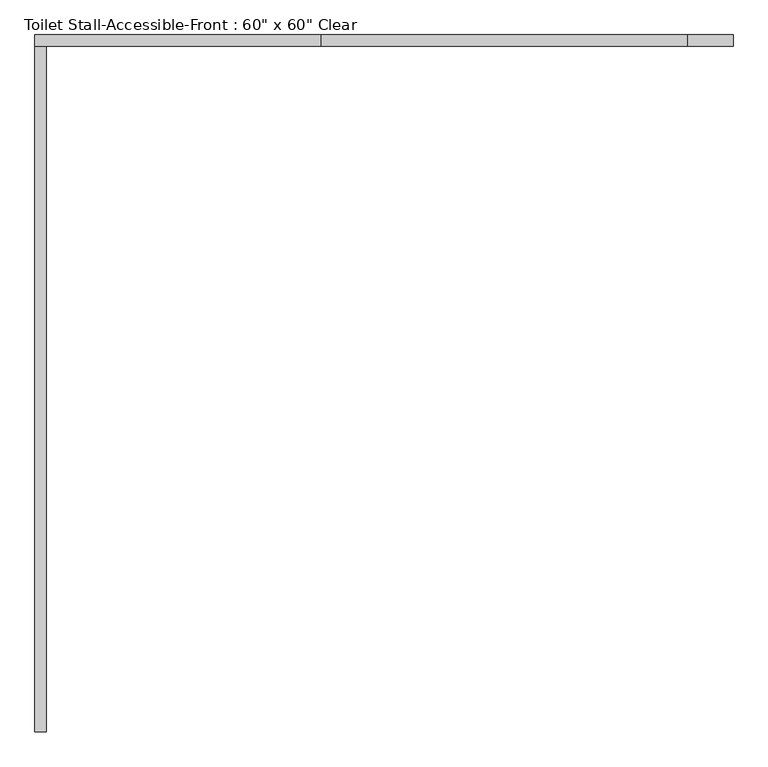
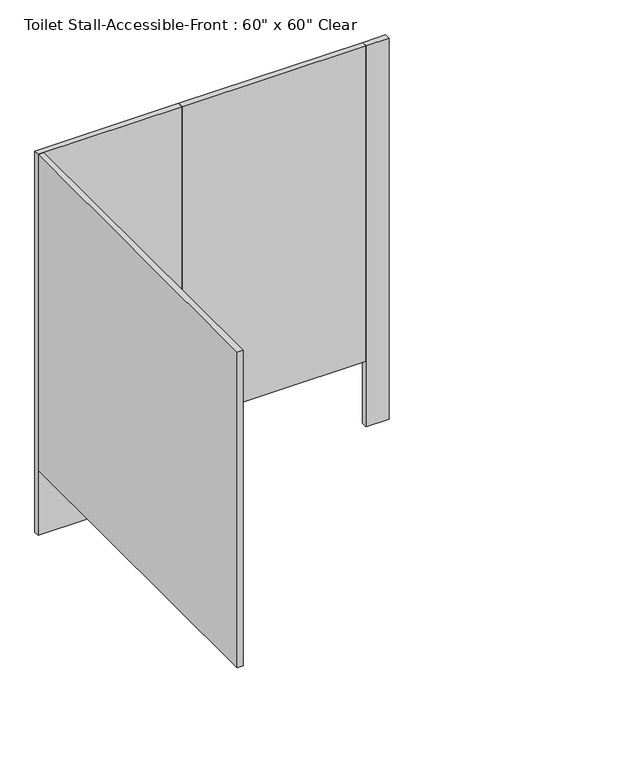
"""IFC4 building model written with IfcOpenShell, lengths in millimetres: proxy geometry."""

from ifc_helpers import new_model, si_unit, frame, origin, origin_with_axes, place, context, project, spatial, polyline, outline, extrude, source, transform, mapped, element, save


def proxy_14ca0ebe(model_context):
    return source(origin(), model_context, "Body", "SweptSolid", [
        extrude(outline(polyline([(1370.1031538, 1612.9), (1370.1031538, 1587.5), (557.3031538, 1587.5), (557.3031538, 1612.9), (1370.1031538, 1612.9)])), frame((0.0, 0.0, 304.8), z_axis=(0.0, 0.0, 1.0), x_axis=(1.0, 0.0, 0.0)), (0.0, 0.0, 1.0), 1473.2),
        extrude(outline(polyline([(557.3031538, 1612.9), (557.3031538, 1587.5), (-77.6968462, 1587.5), (-77.6968462, 1612.9), (557.3031538, 1612.9)])), origin_with_axes(), (0.0, 0.0, 1.0), 1778.0),
        extrude(outline(polyline([(1471.7031538, 1612.9), (1471.7031538, 1587.5), (1370.1031538, 1587.5), (1370.1031538, 1612.9), (1471.7031538, 1612.9)])), origin_with_axes(), (0.0, 0.0, 1.0), 1778.0),
        extrude(outline(polyline([(-77.6968462, 1587.5), (-52.2968462, 1587.5), (-52.2968462, 65.0875), (-77.6968462, 65.0875), (-77.6968462, 1587.5)])), frame((0.0, 0.0, 304.8), z_axis=(0.0, 0.0, 1.0), x_axis=(1.0, 0.0, 0.0)), (0.0, 0.0, 1.0), 1473.2),
    ])


if __name__ == "__main__":
    model = new_model("IFC4")
    model_context = context("Model", 3, world=origin())
    ifc_project = project(units=[si_unit("LENGTHUNIT", "METRE", prefix="MILLI")], contexts=[model_context])
    site = spatial("IfcSite", under=ifc_project)
    building = spatial("IfcBuilding", under=site)
    placement = place(None, origin())
    proxy_shape = proxy_14ca0ebe(model_context)
    element("IfcBuildingElementProxy", 1, Name="Toilet Stall-Accessible-Front : 60\" x 60\" Clear", ObjectType="Toilet Stall-Accessible-Front : 60\" x 60\" Clear", at=placement, inside=building, context=model_context, shape_type="MappedRepresentation", body=[
        mapped(proxy_shape, transform((0.0, 0.0, 0.0), x_axis=(1.0, 0.0, 0.0), y_axis=(0.0, 1.0, 0.0), z_axis=(0.0, 0.0, 1.0))),
    ])
    save(model, "model.ifc")
